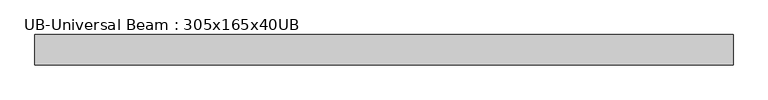
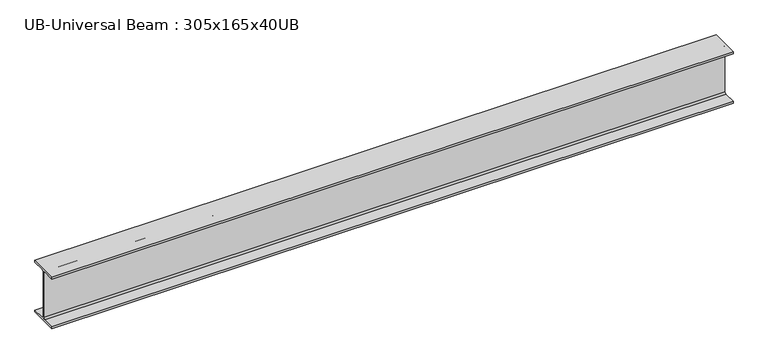
"""IFC4 building model written with IfcOpenShell, lengths in millimetres: beam geometry, UB-Universal Beam : 305x165x40UB."""

from ifc_helpers import new_model, si_unit, point, frame, frame_2d, origin, place, context, project, spatial, polyline, circle_curve, trimmed, segment, composite_curve, outline, extrude, source, transform, mapped, element, save


def ub_universal_beam_305x165x40ub_70295c00(model_context):
    return source(origin(), model_context, "Body", "SweptSolid", [
        extrude(outline(composite_curve([segment(polyline([(82.5, -141.5), (82.5, -151.7), (-82.5, -151.7), (-82.5, -141.5), (-11.9, -141.5)]), True, "CONTINUOUS"), segment(trimmed(circle_curve(frame_2d((-11.9, -132.6)), 8.9), [point((-11.9, -141.5))], [point((-3.0, -132.6))], True, "CARTESIAN"), True, "CONTINUOUS"), segment(polyline([(-3.0, -132.6), (-3.0, 132.6)]), True, "CONTINUOUS"), segment(trimmed(circle_curve(frame_2d((-11.9, 132.6)), 8.9), [point((-3.0, 132.6))], [point((-11.9, 141.5))], True, "CARTESIAN"), True, "CONTINUOUS"), segment(polyline([(-11.9, 141.5), (-82.5, 141.5), (-82.5, 151.7), (82.5, 151.7), (82.5, 141.5), (11.9, 141.5)]), True, "CONTINUOUS"), segment(trimmed(circle_curve(frame_2d((11.9, 132.6)), 8.9), [point((11.9, 141.5))], [point((3.0, 132.6))], True, "CARTESIAN"), True, "CONTINUOUS"), segment(polyline([(3.0, 132.6), (3.0, -132.6)]), True, "CONTINUOUS"), segment(trimmed(circle_curve(frame_2d((11.9, -132.6)), 8.9), [point((3.0, -132.6))], [point((11.9, -141.5))], True, "CARTESIAN"), True, "CONTINUOUS"), segment(polyline([(11.9, -141.5), (82.5, -141.5)]), True, "CONTINUOUS")], self_intersect=False)), frame((-1915.2385985, 0.0, 0.0), z_axis=(1.0, 0.0, 0.0), x_axis=(0.0, 1.0, 0.0)), (0.0, 0.0, 1.0), 3814.2363667),
    ])


if __name__ == "__main__":
    model = new_model("IFC4")
    model_context = context("Model", 3, world=origin())
    ifc_project = project(units=[si_unit("LENGTHUNIT", "METRE", prefix="MILLI")], contexts=[model_context])
    site = spatial("IfcSite", under=ifc_project)
    building = spatial("IfcBuilding", under=site)
    placement = place(None, origin())
    ub_universal_beam_305x165x40ub_shape = ub_universal_beam_305x165x40ub_70295c00(model_context)
    element("IfcBeam", 1, ObjectType="UB-Universal Beam : 305x165x40UB", at=placement, inside=building, context=model_context, shape_type="MappedRepresentation", body=[
        mapped(ub_universal_beam_305x165x40ub_shape, transform((0.0, 0.0, 0.0), x_axis=(1.0, 0.0, 0.0), y_axis=(0.0, 1.0, 0.0), z_axis=(0.0, 0.0, 1.0))),
    ])
    save(model, "model.ifc")
